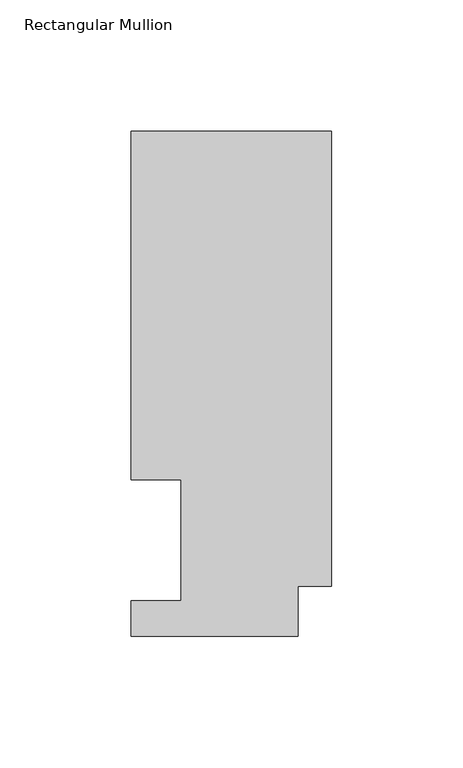
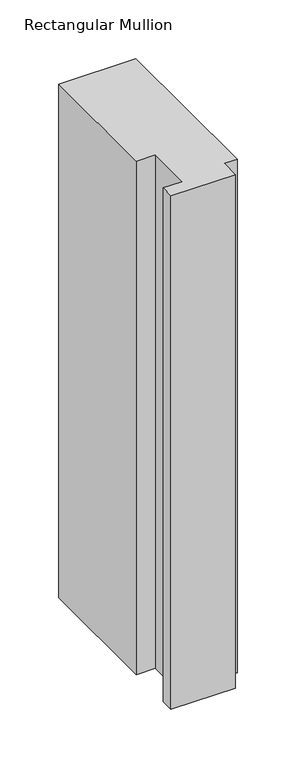
"""IFC4 building model written with IfcOpenShell, lengths in millimetres: member geometry, Rectangular Mullion."""

import ifcopenshell
import ifcopenshell.guid

model = None  # the IFC model being written
_history = None  # IfcOwnerHistory: only IFC2X3 demands one
_inside = {}  # id of a spatial element -> (the spatial element, [elements in it])
_under = {}  # id of a project, library or spatial element -> (it, [spatial elements below it])
_declared = {}  # id of a project -> (the project, [libraries it declares])
_typed = {}  # id of a type object -> (the type object, [elements of that type])
_made_of = {}  # id of a material, layer set ... -> (it, [elements and type objects made of it])


def new_model(schema):
    """Start an empty IFC model of exactly this schema.

    Asked for "IFC4X3", IfcOpenShell would pick the latest addendum, in which some entities
    have other attributes; the version numbers below select the first issue.
    IFC2X3 requires an IfcOwnerHistory on every rooted entity: one is made here for all.
    """
    global model, _history
    if schema == "IFC4X3":
        model = ifcopenshell.file(schema_version=(4, 3, 0, 0))
    else:
        model = ifcopenshell.file(schema=schema)
    _inside.clear()
    _under.clear()
    _declared.clear()
    _typed.clear()
    _made_of.clear()
    _history = None
    if model.schema == "IFC2X3":
        org = make("IfcOrganization", Name="unknown")
        user = make(
            "IfcPersonAndOrganization",
            ThePerson=make("IfcPerson", FamilyName="unknown"),
            TheOrganization=org,
        )
        app = make(
            "IfcApplication",
            ApplicationDeveloper=org,
            Version="unknown",
            ApplicationFullName="unknown",
            ApplicationIdentifier="unknown",
        )
        _history = make(
            "IfcOwnerHistory",
            OwningUser=user,
            OwningApplication=app,
            ChangeAction="ADDED",
            CreationDate=0,
        )
    return model


def make(cls, **values):
    """One entity of the class cls with the attributes given. An attribute that is None is left unset."""
    return model.create_entity(
        cls, **{name: value for name, value in values.items() if value is not None}
    )


def rooted(cls, **values):
    """An entity with a GlobalId (a new one), such as an element, a storey or a relation."""
    return make(cls, GlobalId=ifcopenshell.guid.new(), OwnerHistory=_history, **values)


def si_unit(unit_type, name, prefix=None):
    """IfcSIUnit, for example si_unit("LENGTHUNIT", "METRE", prefix="MILLI")."""
    return make("IfcSIUnit", UnitType=unit_type, Prefix=prefix, Name=name)


def assignment(units):
    """IfcUnitAssignment: the units of a project."""
    return None if units is None else make("IfcUnitAssignment", Units=units)


def point(xyz):
    """IfcCartesianPoint."""
    return None if xyz is None else make("IfcCartesianPoint", Coordinates=xyz)


def direction(xyz):
    """IfcDirection."""
    return None if xyz is None else make("IfcDirection", DirectionRatios=xyz)


def frame(location, z_axis=None, x_axis=None):
    """IfcAxis2Placement3D, a coordinate frame: its origin and axes. An axis left out is left unset."""
    return make(
        "IfcAxis2Placement3D",
        Location=point(location),
        Axis=direction(z_axis),
        RefDirection=direction(x_axis),
    )


def origin():
    """The frame at (0, 0, 0) with its axes left unset."""
    return frame((0.0, 0.0, 0.0))


def place(relative_to, where):
    """IfcLocalPlacement: puts the frame where relative to a parent placement (None: the world)."""
    return make(
        "IfcLocalPlacement", PlacementRelTo=relative_to, RelativePlacement=where
    )


def context(
    kind, dimensions, precision=None, world=None, true_north=None, identifier=None
):
    """IfcGeometricRepresentationContext, for example the 3D "Model" context."""
    return make(
        "IfcGeometricRepresentationContext",
        ContextIdentifier=identifier,
        ContextType=kind,
        CoordinateSpaceDimension=dimensions,
        Precision=precision,
        WorldCoordinateSystem=world,
        TrueNorth=true_north,
    )


def project(units=None, contexts=None):
    """IfcProject with its units and contexts."""
    return rooted(
        "IfcProject",
        Name="project",
        RepresentationContexts=contexts,
        UnitsInContext=assignment(units),
    )


def spatial(cls, under=None, at=None, **own):
    """A site, building, storey or space (cls), placed at a placement, below another one or the project."""
    s = rooted(cls, ObjectPlacement=at, **own)
    if under is not None:
        _under.setdefault(under.id(), (under, []))[1].append(s)
    return s


def polyline(points):
    """IfcPolyline through the points."""
    return make("IfcPolyline", Points=[point(p) for p in points])


def outline(outer, holes=None, kind="AREA"):
    """IfcArbitraryClosedProfileDef: a profile drawn as a closed curve; with holes, ...WithVoids."""
    if holes is None:
        return make("IfcArbitraryClosedProfileDef", ProfileType=kind, OuterCurve=outer)
    return make(
        "IfcArbitraryProfileDefWithVoids",
        ProfileType=kind,
        OuterCurve=outer,
        InnerCurves=holes,
    )


def extrude(swept, where, along, depth):
    """IfcExtrudedAreaSolid: the profile swept, set in the frame where, extruded along a direction by depth."""
    return make(
        "IfcExtrudedAreaSolid",
        SweptArea=swept,
        Position=where,
        ExtrudedDirection=direction(along),
        Depth=depth,
    )


def shape(context_of_items, identifier, shape_type, items):
    """IfcShapeRepresentation: the items that make up one representation, for example the "Body"."""
    return make(
        "IfcShapeRepresentation",
        ContextOfItems=context_of_items,
        RepresentationIdentifier=identifier,
        RepresentationType=shape_type,
        Items=items,
    )


def source(mapping_origin, context_of_items, identifier, shape_type, items):
    """IfcRepresentationMap: a shape defined once, which mapped items show again and again."""
    return make(
        "IfcRepresentationMap",
        MappingOrigin=mapping_origin,
        MappedRepresentation=shape(context_of_items, identifier, shape_type, items),
    )


def transform(
    local_origin,
    x_axis=None,
    y_axis=None,
    z_axis=None,
    scale=None,
    scale2=None,
    scale3=None,
    uniform=True,
):
    """IfcCartesianTransformationOperator3D, or its non-uniform kind. x_axis, y_axis, z_axis: its Axis1, 2, 3."""
    if uniform:
        return make(
            "IfcCartesianTransformationOperator3D",
            Axis1=direction(x_axis),
            Axis2=direction(y_axis),
            LocalOrigin=point(local_origin),
            Scale=scale,
            Axis3=direction(z_axis),
        )
    return make(
        "IfcCartesianTransformationOperator3DnonUniform",
        Axis1=direction(x_axis),
        Axis2=direction(y_axis),
        LocalOrigin=point(local_origin),
        Scale=scale,
        Axis3=direction(z_axis),
        Scale2=scale2,
        Scale3=scale3,
    )


def mapped(mapping_source, mapping_target):
    """IfcMappedItem: shows the shape of a source again, moved by a transform."""
    return make(
        "IfcMappedItem", MappingSource=mapping_source, MappingTarget=mapping_target
    )


def made_of(thing, what):
    """Note that an element or type object is made of a material, layer set ...; save() writes the relation."""
    if what is not None:
        _made_of.setdefault(what.id(), (what, []))[1].append(thing)
    return thing


def element(
    cls,
    number,
    at=None,
    inside=None,
    cuts=None,
    type_object=None,
    material=None,
    context=None,
    identifier="Body",
    shape_type=None,
    held_by="IfcProductDefinitionShape",
    body=None,
    shapes=None,
    **own,
):
    """One element of the class cls, such as IfcWall. Its Tag is "e" and its number.

    at: its placement. inside: the storey or other place that contains it. cuts: it is an
    opening in that element (IfcRelVoidsElement). A single representation is given by context,
    identifier, shape_type and body (its items); several are given by shapes. held_by: the class
    of the entity that holds the representations. save() writes the other relations.
    """
    e = rooted(cls, Tag="e%d" % number, ObjectPlacement=at, **own)
    if body is not None:
        shapes = [shape(context, identifier, shape_type, body)]
    if shapes is not None:
        e.Representation = make(held_by, Representations=shapes)
    if inside is not None:
        _inside.setdefault(inside.id(), (inside, []))[1].append(e)
    if cuts is not None:
        rooted(
            "IfcRelVoidsElement", RelatingBuildingElement=cuts, RelatedOpeningElement=e
        )
    if type_object is not None:
        _typed.setdefault(type_object.id(), (type_object, []))[1].append(e)
    return made_of(e, material)


def aggregate(whole, parts):
    """IfcRelAggregates: a whole, such as a stair, and the parts it consists of."""
    return rooted("IfcRelAggregates", RelatingObject=whole, RelatedObjects=parts)


def save(model, path):
    """Write the relations noted so far, then the file.

    IfcRelAggregates (storeys below a building ...), IfcRelContainedInSpatialStructure (elements
    in a storey), IfcRelDefinesByType, IfcRelAssociatesMaterial and IfcRelDeclares: one each for
    every whole, place, type object, material and project.
    """
    for whole, parts in _under.values():
        aggregate(whole, parts)
    for where, things in _inside.values():
        rooted(
            "IfcRelContainedInSpatialStructure",
            RelatedElements=things,
            RelatingStructure=where,
        )
    for kind, things in _typed.values():
        rooted("IfcRelDefinesByType", RelatedObjects=things, RelatingType=kind)
    for what, things in _made_of.values():
        rooted("IfcRelAssociatesMaterial", RelatedObjects=things, RelatingMaterial=what)
    for by, libraries in _declared.values():
        rooted("IfcRelDeclares", RelatingContext=by, RelatedDefinitions=libraries)
    model.write(path)


def rectangular_mullion_2e566665(model_context):
    return source(origin(), model_context, "Body", "SweptSolid", [
        extrude(outline(polyline([(0.0, 192.09385), (0.0, 19.06905), (-12.7, 19.06905), (-12.7, 0.04445), (-76.2, 0.04445), (-76.2, 13.50645), (-57.1627, 13.50645), (-57.1627, 59.53125), (-76.2, 59.53125), (-76.2, 192.09385), (0.0, 192.09385)])), frame((0.0, 0.0, -535.5166667), z_axis=(0.0, 0.0, 1.0), x_axis=(1.0, 0.0, 0.0)), (0.0, 0.0, 1.0), 535.5166667),
    ])


if __name__ == "__main__":
    model = new_model("IFC4")
    model_context = context("Model", 3, world=origin())
    ifc_project = project(units=[si_unit("LENGTHUNIT", "METRE", prefix="MILLI")], contexts=[model_context])
    site = spatial("IfcSite", under=ifc_project)
    building = spatial("IfcBuilding", under=site)
    placement = place(None, origin())
    rectangular_mullion_shape = rectangular_mullion_2e566665(model_context)
    element("IfcMember", 1, ObjectType="Rectangular Mullion", at=placement, inside=building, context=model_context, shape_type="MappedRepresentation", body=[
        mapped(rectangular_mullion_shape, transform((0.0, 0.0, 0.0), x_axis=(1.0, 0.0, 0.0), y_axis=(0.0, 1.0, 0.0), z_axis=(0.0, 0.0, 1.0))),
    ])
    save(model, "model.ifc")
